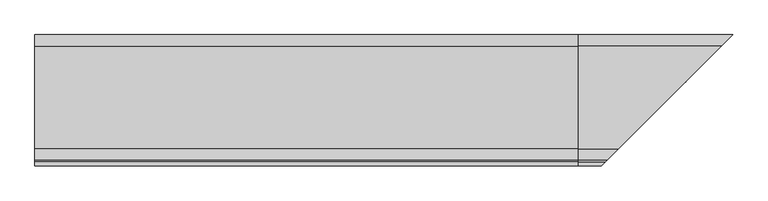
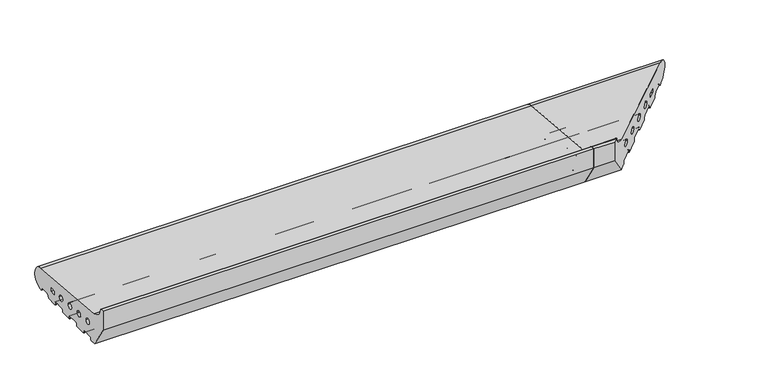
"""IFC4 building model written with IfcOpenShell, lengths in millimetres: proxy geometry."""

from ifc_helpers import new_model, si_unit, point, frame, frame_2d, origin, place, context, project, spatial, polyline, circle_curve, ellipse_curve, trimmed, segment, composite_curve, outline, extrude, source, transform, mapped, element, save
from ifc_brep_helpers import plane_surface, cylinder_surface, revolved_surface, advanced_brep


def generic_models_62097df9(model_context):
    return source(origin(), model_context, "Body", "SolidModel", [
        advanced_brep(
        [(1035.0, 28.0858073, 50.4091909), (1035.0, 26.5981483, 2.5074549), (1035.0, 25.7072001, 3.0071443), (1035.0, 23.6905989, 6.5), (1035.0, 21.9585481, 7.5), (1035.0, 5.4848276, 7.5), (1035.0, 3.7527767, 6.5), (1035.0, 0.2886751, 0.5), (1035.0, -0.5773503, 0.0), (1035.0, -23.0, 0.0), (1035.0, -24.0, 1.0), (1035.0, -24.0, 5.5), (1035.0, -26.0, 7.5), (1035.0, -49.0, 7.5), (1035.0, -51.0, 5.5), (1035.0, -51.0, 1.0), (1035.0, -52.0, 0.0), (1035.0, -75.0, 0.0), (1035.0, -76.0, 1.0), (1035.0, -76.0, 5.5), (1035.0, -78.0, 7.5), (1035.0, -101.0, 7.5), (1035.0, -103.0, 5.5), (1035.0, -103.0, 1.0), (1035.0, -104.0, 0.0), (1035.0, -127.0, 0.0), (1035.0, -128.0, 1.0), (1035.0, -128.0, 5.5), (1035.0, -130.0, 7.5), (1035.0, -153.0, 7.5), (1035.0, -155.0, 5.5), (1035.0, -155.0, 1.0), (1035.0, -156.0, 0.0), (1035.0, -168.0, 0.0), (1035.0, -200.0, 50.0), (1035.0, -200.0, 91.9790981), (1035.0, -191.9246962, 91.9790981), (1035.0, -189.9303588, 90.1294924), (1035.0, -167.5409218, 67.4754175), (1035.0, -21.5, 20.9289), (1035.0, -9.5, 20.9289), (1035.0, -9.5, 28.9289), (1035.0, -21.5, 28.9289), (1035.0, -39.5, 27.333), (1035.0, -51.5, 27.333), (1035.0, -72.0, 30.0), (1035.0, -84.0, 30.0), (1035.0, -104.5, 32.667), (1035.0, -116.5, 32.667), (1035.0, -137.0, 35.334), (1035.0, -149.0, 35.334), (1111.4590782, -167.5409218, 67.4754175), (1307.0858073, 28.0858073, 50.4091909), (1089.0696412, -189.9303588, 90.1294924), (1087.0753038, -191.9246962, 91.9790981), (1079.0, -200.0, 91.9790981), (1111.0, -168.0, 0.0), (1079.0, -200.0, 50.0), (1123.0, -156.0, 0.0), (1124.0, -155.0, 1.0), (1124.0, -155.0, 5.5), (1126.0, -153.0, 7.5), (1149.0, -130.0, 7.5), (1151.0, -128.0, 5.5), (1151.0, -128.0, 1.0), (1152.0, -127.0, 0.0), (1175.0, -104.0, 0.0), (1176.0, -103.0, 1.0), (1176.0, -103.0, 5.5), (1178.0, -101.0, 7.5), (1201.0, -78.0, 7.5), (1203.0, -76.0, 5.5), (1203.0, -76.0, 1.0), (1204.0, -75.0, 0.0), (1227.0, -52.0, 0.0), (1228.0, -51.0, 1.0), (1228.0, -51.0, 5.5), (1230.0, -49.0, 7.5), (1253.0, -26.0, 7.5), (1255.0, -24.0, 5.5), (1255.0, -24.0, 1.0), (1256.0, -23.0, 0.0), (1278.4226497, -0.5773503, 0.0), (1279.2886751, 0.2886751, 0.5), (1282.7527767, 3.7527767, 6.5), (1284.4848276, 5.4848276, 7.5), (1300.9585481, 21.9585481, 7.5), (1302.6905989, 23.6905989, 6.5), (1304.7072001, 25.7072001, 3.0071443), (1305.5981483, 26.5981483, 2.5074549), (1329.0, 50.0, 26.5), (1257.5, -21.5, 28.9289), (1257.5, -21.5, 20.9289), (1269.5, -9.5, 28.9289), (1269.5, -9.5, 20.9289), (1227.5, -51.5, 27.333), (1239.5, -39.5, 27.333), (1195.0, -84.0, 30.0), (1207.0, -72.0, 30.0), (1162.5, -116.5, 32.667), (1174.5, -104.5, 32.667), (1130.0, -149.0, 35.334), (1142.0, -137.0, 35.334)],
        [
            (0, 1, circle_curve(frame((1035.0, 26.0, 26.5), z_axis=(-1.0, 0.0, 0.0), x_axis=(0.0, 0.02492284768405477, -0.9996893775885175)), 24.0)),
            (1, 2, circle_curve(frame((1035.0, 26.5732255, 3.5071443), z_axis=(-1.0, 0.0, 0.0), x_axis=(0.0, -0.8660254037844268, -0.5000000000000207)), 1.0)),
            (2, 3),
            (3, 4, circle_curve(frame((1035.0, 21.9585481, 5.5), z_axis=(1.0, 0.0, 0.0), x_axis=(0.0, 0.0, 1.0)), 2.0)),
            (4, 5),
            (5, 6, circle_curve(frame((1035.0, 5.4848276, 5.5), z_axis=(1.0, 0.0, 0.0), x_axis=(0.0, -0.8660254037844424, 0.4999999999999936)), 2.0)),
            (6, 7),
            (7, 8, circle_curve(frame((1035.0, -0.5773503, 1.0), z_axis=(-1.0, 0.0, 0.0), x_axis=(0.0, 0.0, -1.0)), 1.0)),
            (8, 9),
            (9, 10, circle_curve(frame((1035.0, -23.0, 1.0), z_axis=(-1.0, 0.0, 0.0), x_axis=(0.0, -1.0, 0.0)), 1.0)),
            (10, 11),
            (11, 12, circle_curve(frame((1035.0, -26.0, 5.5), z_axis=(1.0, 0.0, 0.0), x_axis=(0.0, 0.0, 1.0)), 2.0)),
            (12, 13),
            (13, 14, circle_curve(frame((1035.0, -49.0, 5.5), z_axis=(1.0, 0.0, 0.0), x_axis=(0.0, -1.0, 0.0)), 2.0)),
            (14, 15),
            (15, 16, circle_curve(frame((1035.0, -52.0, 1.0), z_axis=(-1.0, 0.0, 0.0), x_axis=(0.0, 0.0, -1.0)), 1.0)),
            (16, 17),
            (17, 18, circle_curve(frame((1035.0, -75.0, 1.0), z_axis=(-1.0, 0.0, 0.0), x_axis=(0.0, -1.0, 0.0)), 1.0)),
            (18, 19),
            (19, 20, circle_curve(frame((1035.0, -78.0, 5.5), z_axis=(1.0, 0.0, 0.0), x_axis=(0.0, 0.0, 1.0)), 2.0)),
            (20, 21),
            (21, 22, circle_curve(frame((1035.0, -101.0, 5.5), z_axis=(1.0, 0.0, 0.0), x_axis=(0.0, -1.0, 0.0)), 2.0)),
            (22, 23),
            (23, 24, circle_curve(frame((1035.0, -104.0, 1.0), z_axis=(-1.0, 0.0, 0.0), x_axis=(0.0, 0.0, -1.0)), 1.0)),
            (24, 25),
            (25, 26, circle_curve(frame((1035.0, -127.0, 1.0), z_axis=(-1.0, 0.0, 0.0), x_axis=(0.0, -1.0, 0.0)), 1.0)),
            (26, 27),
            (27, 28, circle_curve(frame((1035.0, -130.0, 5.5), z_axis=(1.0, 0.0, 0.0), x_axis=(0.0, 0.0, 1.0)), 2.0)),
            (28, 29),
            (29, 30, circle_curve(frame((1035.0, -153.0, 5.5), z_axis=(1.0, 0.0, 0.0), x_axis=(0.0, -1.0, 0.0)), 2.0)),
            (30, 31),
            (31, 32, circle_curve(frame((1035.0, -156.0, 1.0), z_axis=(-1.0, 0.0, 0.0), x_axis=(0.0, 1.0, 0.0)), 1.0)),
            (32, 33),
            (33, 34),
            (34, 35),
            (35, 36),
            (36, 37, circle_curve(frame((1035.0, -191.9246962, 89.9790981), z_axis=(-1.0, 0.0, 0.0), x_axis=(0.0, 0.9971686839008461, 0.07519717978391492)), 2.0)),
            (37, 38, circle_curve(frame((1035.0, -165.4032519, 91.9790985), z_axis=(1.0, 0.0, 0.0), x_axis=(0.0, -0.08690863944627705, -0.9962162859487879)), 24.5967481)),
            (38, 0),
            (39, 40),
            (40, 41),
            (41, 42),
            (42, 39),
            (43, 44, circle_curve(frame((1035.0, -45.5, 27.333), z_axis=(1.0, 0.0, 0.0), x_axis=(0.0, -1.0, 0.0)), 6.0)),
            (44, 43, circle_curve(frame((1035.0, -45.5, 27.333), z_axis=(1.0, 0.0, 0.0), x_axis=(0.0, -1.0, 0.0)), 6.0)),
            (45, 46, circle_curve(frame((1035.0, -78.0, 30.0), z_axis=(1.0, 0.0, 0.0), x_axis=(0.0, -1.0, 0.0)), 6.0)),
            (46, 45, circle_curve(frame((1035.0, -78.0, 30.0), z_axis=(1.0, 0.0, 0.0), x_axis=(0.0, -1.0, 0.0)), 6.0)),
            (47, 48, circle_curve(frame((1035.0, -110.5, 32.667), z_axis=(1.0, 0.0, 0.0), x_axis=(0.0, -1.0, 0.0)), 6.0)),
            (48, 47, circle_curve(frame((1035.0, -110.5, 32.667), z_axis=(1.0, 0.0, 0.0), x_axis=(0.0, -1.0, 0.0)), 6.0)),
            (49, 50, circle_curve(frame((1035.0, -143.0, 35.334), z_axis=(1.0, 0.0, 0.0), x_axis=(0.0, -1.0, 0.0)), 6.0)),
            (50, 49, circle_curve(frame((1035.0, -143.0, 35.334), z_axis=(1.0, 0.0, 0.0), x_axis=(0.0, -1.0, 0.0)), 6.0)),
            (38, 51),
            (51, 52),
            (52, 0),
            (37, 53),
            (53, 51, ellipse_curve(frame((1113.5967481, -165.4032519, 91.9790985), z_axis=(0.7071067811865481, -0.707106781186547, 0.0), x_axis=(-0.7071067811865468, -0.7071067811865481, 0.0)), 34.7850548, 24.5967481)),
            (36, 54),
            (54, 53, ellipse_curve(frame((1087.0753038, -191.9246962, 89.9790981), z_axis=(-0.7071067811865481, 0.707106781186547, 0.0), x_axis=(0.7071067811865468, 0.7071067811865481, 0.0)), 2.8284271, 2.0)),
            (35, 55),
            (55, 54),
            (33, 56),
            (56, 57),
            (57, 34),
            (32, 58),
            (58, 56),
            (31, 59),
            (59, 58, ellipse_curve(frame((1123.0, -156.0, 1.0), z_axis=(-0.7071067811865481, 0.707106781186547, 0.0), x_axis=(0.7071067811865468, 0.7071067811865481, 0.0)), 1.4142136, 1.0)),
            (30, 60),
            (60, 59),
            (29, 61),
            (61, 60, ellipse_curve(frame((1126.0, -153.0, 5.5), z_axis=(0.7071067811865481, -0.707106781186547, 0.0), x_axis=(-0.7071067811865468, -0.7071067811865481, 0.0)), 2.8284271, 2.0)),
            (28, 62),
            (62, 61),
            (27, 63),
            (63, 62, ellipse_curve(frame((1149.0, -130.0, 5.5), z_axis=(0.7071067811865481, -0.707106781186547, 0.0), x_axis=(-0.7071067811865468, -0.7071067811865481, 0.0)), 2.8284271, 2.0)),
            (26, 64),
            (64, 63),
            (25, 65),
            (65, 64, ellipse_curve(frame((1152.0, -127.0, 1.0), z_axis=(-0.7071067811865481, 0.707106781186547, 0.0), x_axis=(0.7071067811865468, 0.7071067811865481, 0.0)), 1.4142136, 1.0)),
            (24, 66),
            (66, 65),
            (23, 67),
            (67, 66, ellipse_curve(frame((1175.0, -104.0, 1.0), z_axis=(-0.7071067811865481, 0.707106781186547, 0.0), x_axis=(0.7071067811865468, 0.7071067811865481, 0.0)), 1.4142136, 1.0)),
            (22, 68),
            (68, 67),
            (21, 69),
            (69, 68, ellipse_curve(frame((1178.0, -101.0, 5.5), z_axis=(0.7071067811865481, -0.707106781186547, 0.0), x_axis=(-0.7071067811865468, -0.7071067811865481, 0.0)), 2.8284271, 2.0)),
            (20, 70),
            (70, 69),
            (19, 71),
            (71, 70, ellipse_curve(frame((1201.0, -78.0, 5.5), z_axis=(0.7071067811865481, -0.707106781186547, 0.0), x_axis=(-0.7071067811865468, -0.7071067811865481, 0.0)), 2.8284271, 2.0)),
            (18, 72),
            (72, 71),
            (17, 73),
            (73, 72, ellipse_curve(frame((1204.0, -75.0, 1.0), z_axis=(-0.7071067811865481, 0.707106781186547, 0.0), x_axis=(0.7071067811865468, 0.7071067811865481, 0.0)), 1.4142136, 1.0)),
            (16, 74),
            (74, 73),
            (15, 75),
            (75, 74, ellipse_curve(frame((1227.0, -52.0, 1.0), z_axis=(-0.7071067811865481, 0.707106781186547, 0.0), x_axis=(0.7071067811865468, 0.7071067811865481, 0.0)), 1.4142136, 1.0)),
            (14, 76),
            (76, 75),
            (13, 77),
            (77, 76, ellipse_curve(frame((1230.0, -49.0, 5.5), z_axis=(0.7071067811865481, -0.707106781186547, 0.0), x_axis=(-0.7071067811865468, -0.7071067811865481, 0.0)), 2.8284271, 2.0)),
            (12, 78),
            (78, 77),
            (11, 79),
            (79, 78, ellipse_curve(frame((1253.0, -26.0, 5.5), z_axis=(0.7071067811865481, -0.707106781186547, 0.0), x_axis=(-0.7071067811865468, -0.7071067811865481, 0.0)), 2.8284271, 2.0)),
            (10, 80),
            (80, 79),
            (9, 81),
            (81, 80, ellipse_curve(frame((1256.0, -23.0, 1.0), z_axis=(-0.7071067811865481, 0.707106781186547, 0.0), x_axis=(0.7071067811865468, 0.7071067811865481, 0.0)), 1.4142136, 1.0)),
            (8, 82),
            (82, 81),
            (7, 83),
            (83, 82, ellipse_curve(frame((1278.4226497, -0.5773503, 1.0), z_axis=(-0.7071067811865481, 0.707106781186547, 0.0), x_axis=(0.7071067811865468, 0.7071067811865481, 0.0)), 1.4142136, 1.0)),
            (6, 84),
            (84, 83),
            (5, 85),
            (85, 84, ellipse_curve(frame((1284.4848276, 5.4848276, 5.5), z_axis=(0.7071067811865481, -0.707106781186547, 0.0), x_axis=(-0.7071067811865468, -0.7071067811865481, 0.0)), 2.8284271, 2.0)),
            (4, 86),
            (86, 85),
            (3, 87),
            (87, 86, ellipse_curve(frame((1300.9585481, 21.9585481, 5.5), z_axis=(0.7071067811865481, -0.707106781186547, 0.0), x_axis=(-0.7071067811865468, -0.7071067811865481, 0.0)), 2.8284271, 2.0)),
            (2, 88),
            (88, 87),
            (1, 89),
            (89, 88, ellipse_curve(frame((1305.5732255, 26.5732255, 3.5071443), z_axis=(-0.7071067811865481, 0.707106781186547, 0.0), x_axis=(0.7071067811865468, 0.7071067811865481, 0.0)), 1.4142136, 1.0)),
            (52, 90, ellipse_curve(frame((1305.0, 26.0, 26.5), z_axis=(-0.7071067811865481, 0.707106781186547, 0.0), x_axis=(0.7071067811865468, 0.7071067811865481, 0.0)), 33.9411255, 24.0)),
            (90, 89, ellipse_curve(frame((1305.0, 26.0, 26.5), z_axis=(-0.7071067811865481, 0.707106781186547, 0.0), x_axis=(0.7071067811865468, 0.7071067811865481, 0.0)), 33.9411255, 24.0)),
            (42, 91),
            (91, 92),
            (92, 39),
            (41, 93),
            (93, 91),
            (40, 94),
            (94, 93),
            (92, 94),
            (44, 95),
            (95, 96, ellipse_curve(frame((1233.5, -45.5, 27.333), z_axis=(0.7071067811865481, -0.707106781186547, 0.0), x_axis=(-0.7071067811865468, -0.7071067811865481, 0.0)), 8.4852814, 6.0)),
            (96, 43),
            (96, 95, ellipse_curve(frame((1233.5, -45.5, 27.333), z_axis=(0.7071067811865481, -0.707106781186547, 0.0), x_axis=(-0.7071067811865468, -0.7071067811865481, 0.0)), 8.4852814, 6.0)),
            (46, 97),
            (97, 98, ellipse_curve(frame((1201.0, -78.0, 30.0), z_axis=(0.7071067811865481, -0.707106781186547, 0.0), x_axis=(-0.7071067811865468, -0.7071067811865481, 0.0)), 8.4852814, 6.0)),
            (98, 45),
            (98, 97, ellipse_curve(frame((1201.0, -78.0, 30.0), z_axis=(0.7071067811865481, -0.707106781186547, 0.0), x_axis=(-0.7071067811865468, -0.7071067811865481, 0.0)), 8.4852814, 6.0)),
            (48, 99),
            (99, 100, ellipse_curve(frame((1168.5, -110.5, 32.667), z_axis=(0.7071067811865481, -0.707106781186547, 0.0), x_axis=(-0.7071067811865468, -0.7071067811865481, 0.0)), 8.4852814, 6.0)),
            (100, 47),
            (100, 99, ellipse_curve(frame((1168.5, -110.5, 32.667), z_axis=(0.7071067811865481, -0.707106781186547, 0.0), x_axis=(-0.7071067811865468, -0.7071067811865481, 0.0)), 8.4852814, 6.0)),
            (50, 101),
            (101, 102, ellipse_curve(frame((1136.0, -143.0, 35.334), z_axis=(0.7071067811865481, -0.707106781186547, 0.0), x_axis=(-0.7071067811865468, -0.7071067811865481, 0.0)), 8.4852814, 6.0)),
            (102, 49),
            (102, 101, ellipse_curve(frame((1136.0, -143.0, 35.334), z_axis=(0.7071067811865481, -0.707106781186547, 0.0), x_axis=(-0.7071067811865468, -0.7071067811865481, 0.0)), 8.4852814, 6.0)),
            (55, 57),
        ],
        [
            plane_surface(frame((1035.0, 0.0, 0.0), z_axis=(-1.0, 0.0, 0.0), x_axis=(0.0, 0.0, 1.0))),
            plane_surface(frame((1329.0, 28.0858073, 50.4091909), z_axis=(0.0, 0.08690863944627716, 0.9962162859487879), x_axis=(-1.0, 0.0, 0.0))),
            revolved_surface(polyline([(1035.0, -167.5409218121738, 67.4754174614001), (1138.1934962330256, -167.5409218121738, 67.4754174614001)]), (1329.0, -165.4032519, 91.9790985), (-1.0, 0.0, 0.0)),
            cylinder_surface(frame((1329.0, -191.9246962, 89.9790981), z_axis=(1.0, 0.0, 0.0), x_axis=(0.0, 0.9971686839008461, 0.07519717978391492)), 2.0),
            plane_surface(frame((1329.0, -191.9246962, 91.9790981), z_axis=(0.0, 0.0, 1.0), x_axis=(-1.0, 0.0, 0.0))),
            plane_surface(frame((1329.0, -200.0, 50.0), z_axis=(0.0, -0.8422714006615114, -0.5390536964233673), x_axis=(-1.0, 0.0, 0.0))),
            plane_surface(frame((1329.0, -168.0, 0.0), z_axis=(0.0, 0.0, -1.0), x_axis=(-1.0, 0.0, 0.0))),
            cylinder_surface(frame((1329.0, -156.0, 1.0), z_axis=(1.0, 0.0, 0.0), x_axis=(0.0, 1.0, 0.0)), 1.0),
            plane_surface(frame((1329.0, -155.0, 1.0), z_axis=(0.0, 1.0, 0.0), x_axis=(-1.0, 0.0, 0.0))),
            revolved_surface(polyline([(1035.0, -155.0, 5.5), (1127.9999999825018, -155.0, 5.5)]), (1329.0, -153.0, 5.5), (-1.0, 0.0, 0.0)),
            plane_surface(frame((1329.0, -153.0, 7.5), z_axis=(0.0, 0.0, -1.0), x_axis=(-1.0, 0.0, 0.0))),
            revolved_surface(polyline([(1035.0, -130.0, 7.5), (1151.0, -130.0, 7.5)]), (1329.0, -130.0, 5.5), (-1.0, 0.0, 0.0)),
            plane_surface(frame((1329.0, -128.0, 5.5), z_axis=(0.0, -1.0, 0.0), x_axis=(-1.0, 0.0, 0.0))),
            cylinder_surface(frame((1329.0, -127.0, 1.0), z_axis=(1.0, 0.0, 0.0), x_axis=(0.0, -1.0, 0.0)), 1.0),
            plane_surface(frame((1329.0, -127.0, 0.0), z_axis=(0.0, 0.0, -1.0), x_axis=(-1.0, 0.0, 0.0))),
            cylinder_surface(frame((1329.0, -104.0, 1.0), z_axis=(1.0, 0.0, 0.0), x_axis=(0.0, 0.0, -1.0)), 1.0),
            plane_surface(frame((1329.0, -103.0, 1.0), z_axis=(0.0, 1.0, 0.0), x_axis=(-1.0, 0.0, 0.0))),
            revolved_surface(polyline([(1035.0, -103.0, 5.5), (1179.9999999825018, -103.0, 5.5)]), (1329.0, -101.0, 5.5), (-1.0, 0.0, 0.0)),
            plane_surface(frame((1329.0, -101.0, 7.5), z_axis=(0.0, 0.0, -1.0), x_axis=(-1.0, 0.0, 0.0))),
            revolved_surface(polyline([(1035.0, -78.0, 7.5), (1203.0, -78.0, 7.5)]), (1329.0, -78.0, 5.5), (-1.0, 0.0, 0.0)),
            plane_surface(frame((1329.0, -76.0, 5.5), z_axis=(0.0, -1.0, 0.0), x_axis=(-1.0, 0.0, 0.0))),
            cylinder_surface(frame((1329.0, -75.0, 1.0), z_axis=(1.0, 0.0, 0.0), x_axis=(0.0, -1.0, 0.0)), 1.0),
            plane_surface(frame((1329.0, -75.0, 0.0), z_axis=(0.0, 0.0, -1.0), x_axis=(-1.0, 0.0, 0.0))),
            cylinder_surface(frame((1329.0, -52.0, 1.0), z_axis=(1.0, 0.0, 0.0), x_axis=(0.0, 0.0, -1.0)), 1.0),
            plane_surface(frame((1329.0, -51.0, 1.0), z_axis=(0.0, 1.0, 0.0), x_axis=(-1.0, 0.0, 0.0))),
            revolved_surface(polyline([(1035.0, -51.0, 5.5), (1231.9999999825018, -51.0, 5.5)]), (1329.0, -49.0, 5.5), (-1.0, 0.0, 0.0)),
            plane_surface(frame((1329.0, -49.0, 7.5), z_axis=(0.0, 0.0, -1.0), x_axis=(-1.0, 0.0, 0.0))),
            revolved_surface(polyline([(1035.0, -26.0, 7.5), (1255.0, -26.0, 7.5)]), (1329.0, -26.0, 5.5), (-1.0, 0.0, 0.0)),
            plane_surface(frame((1329.0, -24.0, 5.5), z_axis=(0.0, -1.0, 0.0), x_axis=(-1.0, 0.0, 0.0))),
            cylinder_surface(frame((1329.0, -23.0, 1.0), z_axis=(1.0, 0.0, 0.0), x_axis=(0.0, -1.0, 0.0)), 1.0),
            plane_surface(frame((1329.0, -23.0, 0.0), z_axis=(0.0, 0.0, -1.0), x_axis=(-1.0, 0.0, 0.0))),
            cylinder_surface(frame((1329.0, -0.5773503, 1.0), z_axis=(1.0, 0.0, 0.0), x_axis=(0.0, 0.0, -1.0)), 1.0),
            plane_surface(frame((1329.0, 0.2886751, 0.5), z_axis=(0.0, 0.8660254037844367, -0.5000000000000034), x_axis=(-1.0, 0.0, 0.0))),
            revolved_surface(polyline([(1035.0, 3.7527767924311153, 6.499999999999988), (1286.4848275825018, 3.7527767924311153, 6.499999999999988)]), (1329.0, 5.4848276, 5.5), (-1.0, 0.0, 0.0)),
            plane_surface(frame((1329.0, 5.4848276, 7.5), z_axis=(0.0, 0.0, -1.0), x_axis=(-1.0, 0.0, 0.0))),
            revolved_surface(polyline([(1035.0, 21.9585481, 7.5), (1302.9585480825017, 21.9585481, 7.5)]), (1329.0, 21.9585481, 5.5), (-1.0, 0.0, 0.0)),
            plane_surface(frame((1329.0, 23.6905989, 6.5), z_axis=(0.0, -0.8660254037844396, -0.4999999999999985), x_axis=(-1.0, 0.0, 0.0))),
            cylinder_surface(frame((1329.0, 26.5732255, 3.5071443), z_axis=(1.0000000000000002, 0.0, 0.0), x_axis=(0.0, -0.8660254037844268, -0.5000000000000207)), 1.0),
            cylinder_surface(frame((1329.0, 26.0, 26.5), z_axis=(1.0000000000000002, 0.0, 0.0), x_axis=(0.0, 0.02492284768405477, -0.9996893775885175)), 24.0),
            plane_surface(frame((1329.0, -21.5, 20.9289), z_axis=(0.0, 1.0, 0.0), x_axis=(-1.0, 0.0, 0.0))),
            plane_surface(frame((1329.0, -21.5, 28.9289), z_axis=(0.0, 0.0, -1.0), x_axis=(-1.0, 0.0, 0.0))),
            plane_surface(frame((1329.0, -9.5, 28.9289), z_axis=(0.0, -1.0, 0.0), x_axis=(-1.0, 0.0, 0.0))),
            plane_surface(frame((1329.0, -9.5, 20.9289), z_axis=(0.0, 0.0, 1.0), x_axis=(-1.0, 0.0, 0.0))),
            revolved_surface(polyline([(1035.0, -51.5, 27.333), (1239.500000018216, -51.5, 27.333)]), (1329.0, -45.5, 27.333), (-1.0, 0.0, 0.0)),
            revolved_surface(polyline([(1035.0, -84.0, 30.0), (1207.000000018216, -84.0, 30.0)]), (1329.0, -78.0, 30.0), (-1.0, 0.0, 0.0)),
            revolved_surface(polyline([(1035.0, -116.5, 32.667), (1174.500000018216, -116.5, 32.667)]), (1329.0, -110.5, 32.667), (-1.0, 0.0, 0.0)),
            revolved_surface(polyline([(1035.0, -149.0, 35.334), (1142.000000018216, -149.0, 35.334)]), (1329.0, -143.0, 35.334), (-1.0, 0.0, 0.0)),
            plane_surface(frame((1244.0, -35.0, 0.0), z_axis=(0.7071067811865481, -0.707106781186547, 0.0), x_axis=(0.0, 0.0, 1.0))),
            plane_surface(frame((1329.0, -200.0, 91.9790981), z_axis=(0.0, -1.0, 0.0), x_axis=(-1.0, 0.0, 0.0))),
        ],
        [
            (0, [[1, 2, 3, 4, 5, 6, 7, 8, 9, 10, 11, 12, 13, 14, 15, 16, 17, 18, 19, 20, 21, 22, 23, 24, 25, 26, 27, 28, 29, 30, 31, 32, 33, 34, 35, 36, 37, 38, 39], [40, 41, 42, 43], [44, 45], [46, 47], [48, 49], [50, 51]]),
            (1, [[-39, 52, 53, 54]]),
            (2, [[-38, 55, 56, -52]]),
            (3, [[-37, 57, 58, -55]]),
            (4, [[-36, 59, 60, -57]]),
            (5, [[-34, 61, 62, 63]]),
            (6, [[-33, 64, 65, -61]]),
            (7, [[-32, 66, 67, -64]]),
            (8, [[-31, 68, 69, -66]]),
            (9, [[-30, 70, 71, -68]]),
            (10, [[-29, 72, 73, -70]]),
            (11, [[-28, 74, 75, -72]]),
            (12, [[-27, 76, 77, -74]]),
            (13, [[-26, 78, 79, -76]]),
            (14, [[-25, 80, 81, -78]]),
            (15, [[-24, 82, 83, -80]]),
            (16, [[-23, 84, 85, -82]]),
            (17, [[-22, 86, 87, -84]]),
            (18, [[-21, 88, 89, -86]]),
            (19, [[-20, 90, 91, -88]]),
            (20, [[-19, 92, 93, -90]]),
            (21, [[-18, 94, 95, -92]]),
            (22, [[-17, 96, 97, -94]]),
            (23, [[-16, 98, 99, -96]]),
            (24, [[-15, 100, 101, -98]]),
            (25, [[-14, 102, 103, -100]]),
            (26, [[-13, 104, 105, -102]]),
            (27, [[-12, 106, 107, -104]]),
            (28, [[-11, 108, 109, -106]]),
            (29, [[-10, 110, 111, -108]]),
            (30, [[-9, 112, 113, -110]]),
            (31, [[-8, 114, 115, -112]]),
            (32, [[-7, 116, 117, -114]]),
            (33, [[-6, 118, 119, -116]]),
            (34, [[-5, 120, 121, -118]]),
            (35, [[-4, 122, 123, -120]]),
            (36, [[-3, 124, 125, -122]]),
            (37, [[-2, 126, 127, -124]]),
            (38, [[-1, -54, 128, 129, -126]]),
            (39, [[-43, 130, 131, 132]]),
            (40, [[-42, 133, 134, -130]]),
            (41, [[-41, 135, 136, -133]]),
            (42, [[-40, -132, 137, -135]]),
            (43, [[-45, 138, 139, 140]]),
            (43, [[-44, -140, 141, -138]]),
            (44, [[-47, 142, 143, 144]]),
            (44, [[-46, -144, 145, -142]]),
            (45, [[-49, 146, 147, 148]]),
            (45, [[-48, -148, 149, -146]]),
            (46, [[-51, 150, 151, 152]]),
            (46, [[-50, -152, 153, -150]]),
            (47, [[-53, -56, -58, -60, 154, -62, -65, -67, -69, -71, -73, -75, -77, -79, -81, -83, -85, -87, -89, -91, -93, -95, -97, -99, -101, -103, -105, -107, -109, -111, -113, -115, -117, -119, -121, -123, -125, -127, -129, -128], [-131, -134, -136, -137], [-139, -141], [-143, -145], [-147, -149], [-151, -153]]),
            (48, [[-35, -63, -154, -59]]),
        ],
    ),
        extrude(outline(composite_curve([segment(trimmed(circle_curve(frame_2d((26.0, 26.5)), 24.0), [point((28.0858073, 50.4091909))], [point((26.5981483, 2.5074549))], False, "CARTESIAN"), True, "CONTINUOUS"), segment(trimmed(circle_curve(frame_2d((26.5732255, 3.5071443)), 1.0), [point((26.5981483, 2.5074549))], [point((25.7072001, 3.0071443))], False, "CARTESIAN"), True, "CONTINUOUS"), segment(polyline([(25.7072001, 3.0071443), (23.6905989, 6.5)]), True, "CONTINUOUS"), segment(trimmed(circle_curve(frame_2d((21.9585481, 5.5)), 2.0), [point((23.6905989, 6.5))], [point((21.9585481, 7.5))], True, "CARTESIAN"), True, "CONTINUOUS"), segment(polyline([(21.9585481, 7.5), (5.4848276, 7.5)]), True, "CONTINUOUS"), segment(trimmed(circle_curve(frame_2d((5.4848276, 5.5)), 2.0), [point((5.4848276, 7.5))], [point((3.7527767, 6.5))], True, "CARTESIAN"), True, "CONTINUOUS"), segment(polyline([(3.7527767, 6.5), (0.2886751, 0.5)]), True, "CONTINUOUS"), segment(trimmed(circle_curve(frame_2d((-0.5773503, 1.0)), 1.0), [point((0.2886751, 0.5))], [point((-0.5773503, 0.0))], False, "CARTESIAN"), True, "CONTINUOUS"), segment(polyline([(-0.5773503, 0.0), (-23.0, 0.0)]), True, "CONTINUOUS"), segment(trimmed(circle_curve(frame_2d((-23.0, 1.0)), 1.0), [point((-23.0, 0.0))], [point((-24.0, 1.0))], False, "CARTESIAN"), True, "CONTINUOUS"), segment(polyline([(-24.0, 1.0), (-24.0, 5.5)]), True, "CONTINUOUS"), segment(trimmed(circle_curve(frame_2d((-26.0, 5.5)), 2.0), [point((-24.0, 5.5))], [point((-26.0, 7.5))], True, "CARTESIAN"), True, "CONTINUOUS"), segment(polyline([(-26.0, 7.5), (-49.0, 7.5)]), True, "CONTINUOUS"), segment(trimmed(circle_curve(frame_2d((-49.0, 5.5)), 2.0), [point((-49.0, 7.5))], [point((-51.0, 5.5))], True, "CARTESIAN"), True, "CONTINUOUS"), segment(polyline([(-51.0, 5.5), (-51.0, 1.0)]), True, "CONTINUOUS"), segment(trimmed(circle_curve(frame_2d((-52.0, 1.0)), 1.0), [point((-51.0, 1.0))], [point((-52.0, 0.0))], False, "CARTESIAN"), True, "CONTINUOUS"), segment(polyline([(-52.0, 0.0), (-75.0, 0.0)]), True, "CONTINUOUS"), segment(trimmed(circle_curve(frame_2d((-75.0, 1.0)), 1.0), [point((-75.0, 0.0))], [point((-76.0, 1.0))], False, "CARTESIAN"), True, "CONTINUOUS"), segment(polyline([(-76.0, 1.0), (-76.0, 5.5)]), True, "CONTINUOUS"), segment(trimmed(circle_curve(frame_2d((-78.0, 5.5)), 2.0), [point((-76.0, 5.5))], [point((-78.0, 7.5))], True, "CARTESIAN"), True, "CONTINUOUS"), segment(polyline([(-78.0, 7.5), (-101.0, 7.5)]), True, "CONTINUOUS"), segment(trimmed(circle_curve(frame_2d((-101.0, 5.5)), 2.0), [point((-101.0, 7.5))], [point((-103.0, 5.5))], True, "CARTESIAN"), True, "CONTINUOUS"), segment(polyline([(-103.0, 5.5), (-103.0, 1.0)]), True, "CONTINUOUS"), segment(trimmed(circle_curve(frame_2d((-104.0, 1.0)), 1.0), [point((-103.0, 1.0))], [point((-104.0, 0.0))], False, "CARTESIAN"), True, "CONTINUOUS"), segment(polyline([(-104.0, 0.0), (-127.0, 0.0)]), True, "CONTINUOUS"), segment(trimmed(circle_curve(frame_2d((-127.0, 1.0)), 1.0), [point((-127.0, 0.0))], [point((-128.0, 1.0))], False, "CARTESIAN"), True, "CONTINUOUS"), segment(polyline([(-128.0, 1.0), (-128.0, 5.5)]), True, "CONTINUOUS"), segment(trimmed(circle_curve(frame_2d((-130.0, 5.5)), 2.0), [point((-128.0, 5.5))], [point((-130.0, 7.5))], True, "CARTESIAN"), True, "CONTINUOUS"), segment(polyline([(-130.0, 7.5), (-153.0, 7.5)]), True, "CONTINUOUS"), segment(trimmed(circle_curve(frame_2d((-153.0, 5.5)), 2.0), [point((-153.0, 7.5))], [point((-155.0, 5.5))], True, "CARTESIAN"), True, "CONTINUOUS"), segment(polyline([(-155.0, 5.5), (-155.0, 1.0)]), True, "CONTINUOUS"), segment(trimmed(circle_curve(frame_2d((-156.0, 1.0)), 1.0), [point((-155.0, 1.0))], [point((-156.0, 0.0))], False, "CARTESIAN"), True, "CONTINUOUS"), segment(polyline([(-156.0, 0.0), (-168.0, 0.0), (-200.0, 50.0), (-200.0, 91.9790981), (-191.9246962, 91.9790981)]), True, "CONTINUOUS"), segment(trimmed(circle_curve(frame_2d((-191.9246962, 89.9790981)), 2.0), [point((-191.9246962, 91.9790981))], [point((-189.9303588, 90.1294924))], False, "CARTESIAN"), True, "CONTINUOUS"), segment(trimmed(circle_curve(frame_2d((-165.4032519, 91.9790985)), 24.5967481), [point((-189.9303588, 90.1294924))], [point((-167.5409218, 67.4754175))], True, "CARTESIAN"), True, "CONTINUOUS"), segment(polyline([(-167.5409218, 67.4754175), (28.0858073, 50.4091909)]), True, "CONTINUOUS")], self_intersect=False), holes=[polyline([(-21.5, 20.9289), (-9.5, 20.9289), (-9.5, 28.9289), (-21.5, 28.9289), (-21.5, 20.9289)]), composite_curve([segment(trimmed(circle_curve(frame_2d((-45.5, 27.333)), 6.0), [point((-51.5, 27.333))], [point((-39.5, 27.333))], True, "CARTESIAN"), True, "CONTINUOUS"), segment(trimmed(circle_curve(frame_2d((-45.5, 27.333)), 6.0), [point((-39.5, 27.333))], [point((-51.5, 27.333))], True, "CARTESIAN"), True, "CONTINUOUS")], self_intersect=False), composite_curve([segment(trimmed(circle_curve(frame_2d((-78.0, 30.0)), 6.0), [point((-84.0, 30.0))], [point((-72.0, 30.0))], True, "CARTESIAN"), True, "CONTINUOUS"), segment(trimmed(circle_curve(frame_2d((-78.0, 30.0)), 6.0), [point((-72.0, 30.0))], [point((-84.0, 30.0))], True, "CARTESIAN"), True, "CONTINUOUS")], self_intersect=False), composite_curve([segment(trimmed(circle_curve(frame_2d((-110.5, 32.667)), 6.0), [point((-116.5, 32.667))], [point((-104.5, 32.667))], True, "CARTESIAN"), True, "CONTINUOUS"), segment(trimmed(circle_curve(frame_2d((-110.5, 32.667)), 6.0), [point((-104.5, 32.667))], [point((-116.5, 32.667))], True, "CARTESIAN"), True, "CONTINUOUS")], self_intersect=False), composite_curve([segment(trimmed(circle_curve(frame_2d((-143.0, 35.334)), 6.0), [point((-149.0, 35.334))], [point((-137.0, 35.334))], True, "CARTESIAN"), True, "CONTINUOUS"), segment(trimmed(circle_curve(frame_2d((-143.0, 35.334)), 6.0), [point((-137.0, 35.334))], [point((-149.0, 35.334))], True, "CARTESIAN"), True, "CONTINUOUS")], self_intersect=False)]), frame((0.0, 0.0, 0.0), z_axis=(1.0, 0.0, 0.0), x_axis=(0.0, 1.0, 0.0)), (0.0, 0.0, 1.0), 1035.0),
    ])


if __name__ == "__main__":
    model = new_model("IFC4")
    model_context = context("Model", 3, world=origin())
    ifc_project = project(units=[si_unit("LENGTHUNIT", "METRE", prefix="MILLI")], contexts=[model_context])
    site = spatial("IfcSite", under=ifc_project)
    building = spatial("IfcBuilding", under=site)
    placement = place(None, origin())
    generic_models_shape = generic_models_62097df9(model_context)
    element("IfcBuildingElementProxy", 1, Name="Generic Models", at=placement, inside=building, context=model_context, shape_type="MappedRepresentation", body=[
        mapped(generic_models_shape, transform((0.0, 0.0, 0.0), x_axis=(1.0, 0.0, 0.0), y_axis=(0.0, 1.0, 0.0), z_axis=(0.0, 0.0, 1.0))),
    ])
    save(model, "model.ifc")
